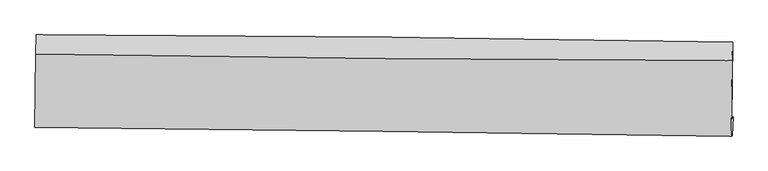
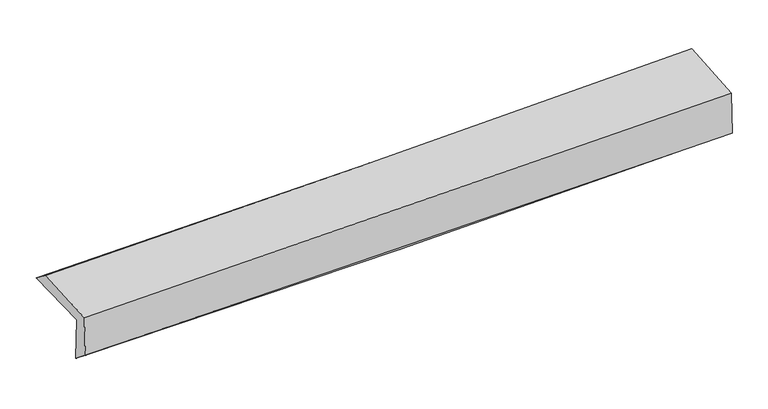
"""IFC4 building model written with IfcOpenShell, lengths in millimetres: proxy geometry."""

from ifc_helpers import new_model, si_unit, frame, origin, place, context, project, spatial, source, transform, mapped, element, save
from ifc_brep_helpers import plane_surface, spline_curve, spline_surface, advanced_brep


def generic_models_87a3dce8(model_context):
    return source(origin(), model_context, "Body", "AdvancedBrep", [
        advanced_brep(
        [(-3030.2950974, -1773.761441, 1966.8835522), (-3021.7985837, -1103.3995873, 1970.3476057), (3016.0072571, -1165.8184046, 2121.7628209), (3007.6400865, -1833.1656087, 2114.9043987), (-3018.989277, -1743.7511656, 1558.2420038), (3018.8728625, -1816.938001, 1702.3884149), (-3024.6170172, -1906.8344129, 1690.6310747), (3013.2375126, -1980.5635819, 1834.8022172), (-3034.7047243, -1908.6525054, 2067.2101756), (3002.3972807, -1984.5763863, 2238.4862998), (-3027.5151436, -1271.4673725, 2103.6704066), (3009.8224074, -1327.1493599, 2275.8372643)],
        [
            (0, 1),
            (1, 2, spline_curve(3, [(-3021.7985837, -1103.3995873, 1970.3476057), (-2014.914581146, -1107.156533747, 1976.580964325), (-1008.31710754, -1114.236659873, 1992.315797567), (1004.28482801, -1135.043064042, 2042.787912628), (2010.289301181, -1148.769210455, 2077.524817807), (3016.0072571, -1165.8184046, 2121.7628209)], [4, 2, 4], [0.0, 9.909054786326568, 19.817913088068202])),
            (2, 3),
            (3, 0, spline_curve(3, [(3007.6400865, -1833.1656087, 2114.9043987), (2002.042074338, -1821.966872696, 2063.373718994), (996.08679504, -1811.417199877, 2025.273297594), (-1016.558252398, -1791.615785202, 1975.932482817), (-2023.248034083, -1782.364068497, 1964.692621872), (-3030.2950974, -1773.761441, 1966.8835522)], [4, 2, 4], [0.0, 9.908858301741635, 19.817913088068202])),
            (4, 0),
            (3, 5),
            (5, 4, spline_curve(3, [(3018.8728625, -1816.938001, 1702.3884149), (2012.859200291, -1808.61919635, 1665.029405468), (1006.702180631, -1798.360970825, 1634.337752903), (-1005.918526548, -1773.965436105, 1586.288684915), (-2012.3822204, -1759.828049874, 1568.931533704), (-3018.989277, -1743.7511656, 1558.2420038)], [4, 2, 4], [0.0, 9.908659268436953, 19.817515017512168])),
            (6, 4),
            (5, 7),
            (7, 6, spline_curve(3, [(3013.2375126, -1980.5635819, 1834.8022172), (2007.019156013, -1966.020856125, 1808.086032806), (1000.760422598, -1952.605445463, 1782.713784714), (-1011.857752289, -1928.029011074, 1734.656684024), (-2018.217195647, -1916.868031888, 1711.971884523), (-3024.6170172, -1906.8344129, 1690.6310747)], [4, 2, 4], [0.0, 9.908159430837566, 19.816515332402023])),
            (8, 6),
            (7, 9),
            (9, 8, spline_curve(3, [(3002.3972807, -1984.5763863, 2238.4862998), (1996.289680161, -1969.474058232, 2207.894248317), (990.149034294, -1955.59595457, 2178.325343661), (-1022.218299099, -1930.287945514, 2121.2332619), (-2028.444988484, -1918.858088957, 2093.710125009), (-3034.7047243, -1908.6525054, 2067.2101756)], [4, 2, 4], [0.0, 9.908054352715839, 19.816305174074955])),
            (10, 8),
            (9, 11),
            (11, 10, spline_curve(3, [(3009.8224074, -1327.1493599, 2275.8372643), (2003.556904564, -1325.724488178, 2244.596339433), (997.317678471, -1320.371971795, 2214.628768524), (-1015.128173254, -1301.811465187, 2157.239765493), (-2021.334797074, -1288.603319041, 2129.818383732), (-3027.5151436, -1271.4673725, 2103.6704066)], [4, 2, 4], [0.0, 9.908089083065665, 19.816374635463283])),
            (1, 10),
            (11, 2),
        ],
        [
            spline_surface(3, 3, [[(-3030.2950974, -1773.761441, 1966.8835522), (-2023.24803418, -1782.3640685, 1964.692621973), (-1016.558252239, -1791.615785044, 1975.932482794), (996.086794881, -1811.417200035, 2025.273297617), (2002.042074263, -1821.966872691, 2063.373718904), (3007.6400865, -1833.1656087, 2114.9043987)], [(-3027.462926156, -1550.307489772, 1968.038236731), (-2020.470216521, -1557.294890304, 1968.655402761), (-1013.811204037, -1565.822743296, 1981.393587675), (998.819472562, -1585.9591547, 2031.111502622), (2004.791149947, -1597.567651968, 2068.09075188), (3010.429143378, -1610.716540659, 2117.190539425)], [(-3024.630754944, -1326.853538528, 1969.192921169), (-2017.692398893, -1332.225712092, 1972.618183456), (-1011.064155746, -1340.029701592, 1986.85469262), (1001.552150333, -1360.501109406, 2036.949707689), (2007.540225598, -1373.168431268, 2072.807784881), (3013.218200222, -1388.267472641, 2119.476680175)], [(-3021.7985837, -1103.3995873, 1970.3476057), (-2014.914581233, -1107.156533896, 1976.580964244), (-1008.317107545, -1114.236659844, 1992.315797501), (1004.284828015, -1135.043064071, 2042.787912693), (2010.289301281, -1148.769210546, 2077.524817856), (3016.0072571, -1165.8184046, 2121.7628209)]], [4, 4], [4, 2, 4], [0.0, 2.221583652238642], [0.0, 9.909054786326568, 19.817913088068202]),
            spline_surface(3, 3, [[(-3018.989277, -1743.7511656, 1558.2420038), (-2012.382220405, -1759.828049737, 1568.931533757), (-1005.918526696, -1773.965436011, 1586.288684841), (1006.70218078, -1798.36097092, 1634.337752977), (2012.859200248, -1808.619196398, 1665.029405559), (3018.8728625, -1816.938001, 1702.3884149)], [(-3022.757883803, -1753.754590739, 1694.455853268), (-2016.004158333, -1767.340055998, 1700.851896497), (-1009.465101863, -1779.84888571, 1716.169950842), (1003.163718828, -1802.713047313, 1764.649601207), (2009.253491576, -1813.068421828, 1797.810843355), (3015.128603823, -1822.347203566, 1839.893742847)], [(-3026.526490597, -1763.758015861, 1830.669702732), (-2019.626096252, -1774.85206224, 1832.772259233), (-1013.011677072, -1785.732335345, 1846.051216793), (999.625256833, -1807.065123642, 1894.961449387), (2005.647782935, -1817.51764726, 1930.592281109), (3011.384345177, -1827.756406134, 1977.399070753)], [(-3030.2950974, -1773.761441, 1966.8835522), (-2023.24803418, -1782.3640685, 1964.692621973), (-1016.558252239, -1791.615785044, 1975.932482794), (996.086794881, -1811.417200035, 2025.273297617), (2002.042074263, -1821.966872691, 2063.373718904), (3007.6400865, -1833.1656087, 2114.9043987)]], [4, 4], [4, 2, 4], [0.0, 1.2819425330408516], [0.0, 9.908855749075215, 19.817515017512168]),
            spline_surface(3, 3, [[(-3024.6170172, -1906.8344129, 1690.6310747), (-2018.217195492, -1916.868031997, 1711.971884637), (-1011.857752346, -1928.029011082, 1734.656683981), (1000.760422654, -1952.605445455, 1782.713784757), (2007.019156105, -1966.020856039, 1808.086032959), (3013.2375126, -1980.5635819, 1834.8022172)], [(-3022.741103792, -1852.47333046, 1646.501384372), (-2016.272203789, -1864.521371237, 1664.291767649), (-1009.878010453, -1876.674486057, 1685.200684271), (1002.741008706, -1901.190620609, 1733.2551075), (2008.965837487, -1913.553636176, 1760.400490506), (3015.115962568, -1926.021721618, 1790.664283113)], [(-3020.865190408, -1798.11224804, 1602.371694128), (-2014.327212109, -1812.174710497, 1616.611650744), (-1007.898268589, -1825.319961036, 1635.744684552), (1004.721594728, -1849.775795766, 1683.796430234), (2010.912518866, -1861.086416261, 1712.714948012), (3016.994412532, -1871.479861282, 1746.526348987)], [(-3018.989277, -1743.7511656, 1558.2420038), (-2012.382220405, -1759.828049737, 1568.931533757), (-1005.918526696, -1773.965436011, 1586.288684841), (1006.70218078, -1798.36097092, 1634.337752977), (2012.859200248, -1808.619196398, 1665.029405559), (3018.8728625, -1816.938001, 1702.3884149)]], [4, 4], [4, 2, 4], [0.0, 0.7022300943625435], [0.0, 9.908355901564457, 19.816515332402023]),
            spline_surface(3, 3, [[(-3034.7047243, -1908.6525054, 2067.2101756), (-2028.444988517, -1918.85808895, 2093.710125105), (-1022.21829924, -1930.287945614, 2121.233261791), (990.149034436, -1955.59595447, 2178.32534377), (1996.289680185, -1969.474058098, 2207.89424848), (3002.3972807, -1984.5763863, 2238.4862998)], [(-3031.342155275, -1908.046474573, 1941.683808652), (-2025.035724184, -1918.194736639, 1966.464044968), (-1018.764783602, -1929.534967416, 1992.374402494), (993.686163849, -1954.599118111, 2046.454824072), (1999.866172165, -1968.322990746, 2074.6248433), (3006.01069134, -1983.238784835, 2103.924938927)], [(-3027.979586225, -1907.440443727, 1816.157441648), (-2021.626459825, -1917.531384308, 1839.217964774), (-1015.311267984, -1928.78198928, 1863.515543278), (997.223293241, -1953.602281814, 1914.584304455), (2003.442664126, -1967.17192339, 1941.355438139), (3009.62410196, -1981.901183365, 1969.363578073)], [(-3024.6170172, -1906.8344129, 1690.6310747), (-2018.217195492, -1916.868031997, 1711.971884637), (-1011.857752346, -1928.029011082, 1734.656683981), (1000.760422654, -1952.605445455, 1782.713784757), (2007.019156105, -1966.020856039, 1808.086032959), (3013.2375126, -1980.5635819, 1834.8022172)]], [4, 4], [4, 2, 4], [0.0, 1.283606732701749], [0.0, 9.908250821359117, 19.816305174074955]),
            spline_surface(3, 3, [[(-3027.5151436, -1271.4673725, 2103.6704066), (-2021.334797174, -1288.603319106, 2129.818383888), (-1015.12817309, -1301.811465144, 2157.239765475), (997.317678307, -1320.371971838, 2214.628768542), (2003.556904514, -1325.724488281, 2244.596339521), (3009.8224074, -1327.1493599, 2275.8372643)], [(-3029.911670476, -1483.862416772, 2091.516996267), (-2023.704860931, -1498.68824236, 2117.782297627), (-1017.491548495, -1511.303625311, 2145.237597581), (994.928130328, -1532.113299391, 2202.527626952), (2001.134496394, -1540.307678204, 2232.362309175), (3007.347365157, -1546.291702017, 2263.386942802)], [(-3032.308197424, -1696.257461128, 2079.363585933), (-2026.07492476, -1708.773165696, 2105.746211366), (-1019.854923834, -1720.795785448, 2133.235429685), (992.538582415, -1743.854626916, 2190.42648536), (1998.712088305, -1754.890868175, 2220.128278825), (3004.872322943, -1765.434044183, 2250.936621298)], [(-3034.7047243, -1908.6525054, 2067.2101756), (-2028.444988517, -1918.85808895, 2093.710125105), (-1022.21829924, -1930.287945614, 2121.233261791), (990.149034436, -1955.59595447, 2178.32534377), (1996.289680185, -1969.474058098, 2207.89424848), (3002.3972807, -1984.5763863, 2238.4862998)]], [4, 4], [4, 2, 4], [0.0, 2.0765219214066386], [0.0, 9.908285552397619, 19.816374635463283]),
            spline_surface(3, 3, [[(-3021.7985837, -1103.3995873, 1970.3476057), (-2014.914581233, -1107.156533896, 1976.580964244), (-1008.317107545, -1114.236659844, 1992.315797501), (1004.284828015, -1135.043064071, 2042.787912693), (2010.289301281, -1148.769210546, 2077.524817856), (3016.0072571, -1165.8184046, 2121.7628209)], [(-3023.704103697, -1159.422182384, 2014.78853931), (-2017.054653244, -1167.63879565, 2027.660104102), (-1010.587462705, -1176.76159495, 2047.29045352), (1001.9624448, -1196.819366665, 2100.068198004), (2008.045169027, -1207.754303129, 2133.215325064), (3013.945640534, -1219.595389704, 2173.120968686)], [(-3025.609623603, -1215.444777416, 2059.22947299), (-2019.194725163, -1228.121057352, 2078.73924403), (-1012.857817929, -1239.286530039, 2102.265109456), (999.640061521, -1258.595669243, 2157.348483231), (2005.801036769, -1266.739395698, 2188.905832313), (3011.884023966, -1273.372374796, 2224.479116514)], [(-3027.5151436, -1271.4673725, 2103.6704066), (-2021.334797174, -1288.603319106, 2129.818383888), (-1015.12817309, -1301.811465144, 2157.239765475), (997.317678307, -1320.371971838, 2214.628768542), (2003.556904514, -1325.724488281, 2244.596339521), (3009.8224074, -1327.1493599, 2275.8372643)]], [4, 4], [4, 2, 4], [0.0, 0.8245578753725358], [0.0, 9.908422167877726, 19.81664786371458]),
            plane_surface(frame((3011.3295678, -1684.7018904, 2048.030236), z_axis=(0.9995610708411496, -0.012806999090204016, 0.026714161660025937), x_axis=(0.0268422539028431, 0.009936384685476458, -0.9995902969040855))),
            plane_surface(frame((-3026.3199739, -1617.9777474, 1892.8308031), z_axis=(-0.9995610708411421, 0.012806999091238797, -0.026714161659808933), x_axis=(-0.012673331429531358, -0.9999063402401186, -0.005166954430754569))),
        ],
        [
            (0, [[1, 2, 3, 4]]),
            (1, [[5, -4, 6, 7]]),
            (2, [[8, -7, 9, 10]]),
            (3, [[11, -10, 12, 13]]),
            (4, [[14, -13, 15, 16]]),
            (5, [[17, -16, 18, -2]]),
            (6, [[-12, -9, -6, -3, -18, -15]]),
            (7, [[-1, -5, -8, -11, -14, -17]]),
        ],
    ),
    ])


if __name__ == "__main__":
    model = new_model("IFC4")
    model_context = context("Model", 3, world=origin())
    ifc_project = project(units=[si_unit("LENGTHUNIT", "METRE", prefix="MILLI")], contexts=[model_context])
    site = spatial("IfcSite", under=ifc_project)
    building = spatial("IfcBuilding", under=site)
    placement = place(None, origin())
    generic_models_shape = generic_models_87a3dce8(model_context)
    element("IfcBuildingElementProxy", 1, Name="Generic Models", at=placement, inside=building, context=model_context, shape_type="MappedRepresentation", body=[
        mapped(generic_models_shape, transform((0.0, 0.0, 0.0), x_axis=(1.0, 0.0, 0.0), y_axis=(0.0, 1.0, 0.0), z_axis=(0.0, 0.0, 1.0))),
    ])
    save(model, "model.ifc")
